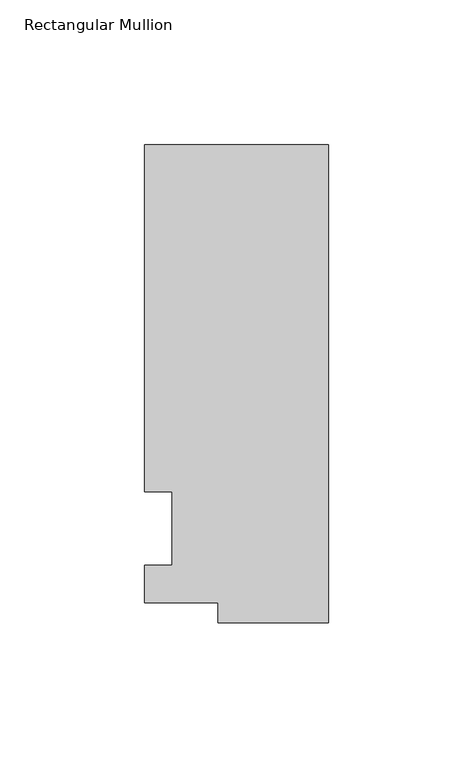
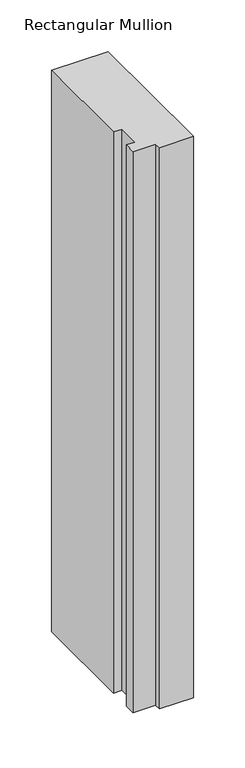
"""IFC4 building model written with IfcOpenShell, lengths in millimetres: member geometry, Rectangular Mullion."""

from ifc_helpers import new_model, si_unit, frame, origin, place, context, project, spatial, polyline, outline, extrude, source, transform, mapped, element, save


def rectangular_mullion_1c72ec30(model_context):
    return source(origin(), model_context, "Body", "SweptSolid", [
        extrude(outline(polyline([(-38.1, -32.54375), (-38.1, -25.58415), (-63.5, -25.58415), (-63.5, -12.7), (-53.975, -12.7), (-53.975, 12.7), (-63.5, 12.7), (-63.5, 132.55625), (0.0, 132.55625), (0.0, -32.54375), (-38.1, -32.54375)])), frame((0.0, 0.0, -663.575), z_axis=(0.0, 0.0, 1.0), x_axis=(1.0, 0.0, 0.0)), (0.0, 0.0, 1.0), 663.575),
    ])


if __name__ == "__main__":
    model = new_model("IFC4")
    model_context = context("Model", 3, world=origin())
    ifc_project = project(units=[si_unit("LENGTHUNIT", "METRE", prefix="MILLI")], contexts=[model_context])
    site = spatial("IfcSite", under=ifc_project)
    building = spatial("IfcBuilding", under=site)
    placement = place(None, origin())
    rectangular_mullion_shape = rectangular_mullion_1c72ec30(model_context)
    element("IfcMember", 1, ObjectType="Rectangular Mullion", at=placement, inside=building, context=model_context, shape_type="MappedRepresentation", body=[
        mapped(rectangular_mullion_shape, transform((0.0, 0.0, 0.0), x_axis=(1.0, 0.0, 0.0), y_axis=(0.0, 1.0, 0.0), z_axis=(0.0, 0.0, 1.0))),
    ])
    save(model, "model.ifc")
